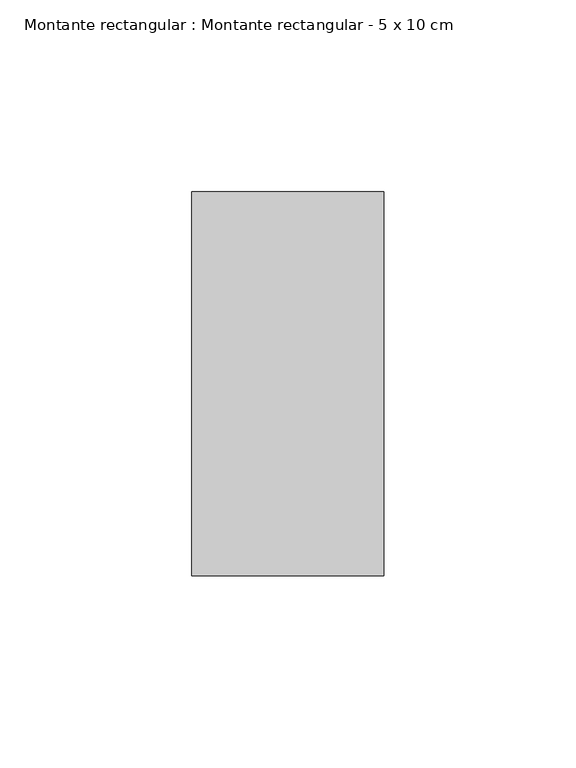
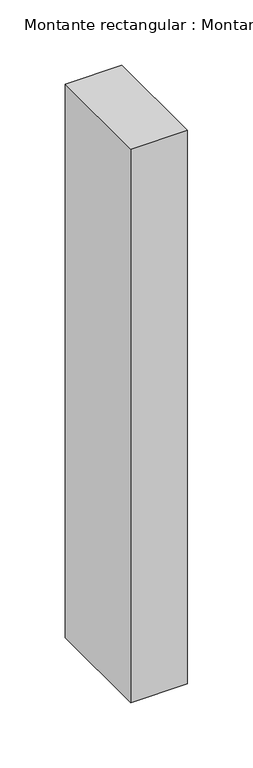
"""IFC4 building model written with IfcOpenShell, lengths in millimetres: member geometry, Montante rectangular : Montante rectangular - 5 x 10 cm."""

import ifcopenshell
import ifcopenshell.guid

model = None  # the IFC model being written
_history = None  # IfcOwnerHistory: only IFC2X3 demands one
_inside = {}  # id of a spatial element -> (the spatial element, [elements in it])
_under = {}  # id of a project, library or spatial element -> (it, [spatial elements below it])
_declared = {}  # id of a project -> (the project, [libraries it declares])
_typed = {}  # id of a type object -> (the type object, [elements of that type])
_made_of = {}  # id of a material, layer set ... -> (it, [elements and type objects made of it])


def new_model(schema):
    """Start an empty IFC model of exactly this schema.

    Asked for "IFC4X3", IfcOpenShell would pick the latest addendum, in which some entities
    have other attributes; the version numbers below select the first issue.
    IFC2X3 requires an IfcOwnerHistory on every rooted entity: one is made here for all.
    """
    global model, _history
    if schema == "IFC4X3":
        model = ifcopenshell.file(schema_version=(4, 3, 0, 0))
    else:
        model = ifcopenshell.file(schema=schema)
    _inside.clear()
    _under.clear()
    _declared.clear()
    _typed.clear()
    _made_of.clear()
    _history = None
    if model.schema == "IFC2X3":
        org = make("IfcOrganization", Name="unknown")
        user = make(
            "IfcPersonAndOrganization",
            ThePerson=make("IfcPerson", FamilyName="unknown"),
            TheOrganization=org,
        )
        app = make(
            "IfcApplication",
            ApplicationDeveloper=org,
            Version="unknown",
            ApplicationFullName="unknown",
            ApplicationIdentifier="unknown",
        )
        _history = make(
            "IfcOwnerHistory",
            OwningUser=user,
            OwningApplication=app,
            ChangeAction="ADDED",
            CreationDate=0,
        )
    return model


def make(cls, **values):
    """One entity of the class cls with the attributes given. An attribute that is None is left unset."""
    return model.create_entity(
        cls, **{name: value for name, value in values.items() if value is not None}
    )


def rooted(cls, **values):
    """An entity with a GlobalId (a new one), such as an element, a storey or a relation."""
    return make(cls, GlobalId=ifcopenshell.guid.new(), OwnerHistory=_history, **values)


def si_unit(unit_type, name, prefix=None):
    """IfcSIUnit, for example si_unit("LENGTHUNIT", "METRE", prefix="MILLI")."""
    return make("IfcSIUnit", UnitType=unit_type, Prefix=prefix, Name=name)


def assignment(units):
    """IfcUnitAssignment: the units of a project."""
    return None if units is None else make("IfcUnitAssignment", Units=units)


def point(xyz):
    """IfcCartesianPoint."""
    return None if xyz is None else make("IfcCartesianPoint", Coordinates=xyz)


def direction(xyz):
    """IfcDirection."""
    return None if xyz is None else make("IfcDirection", DirectionRatios=xyz)


def frame(location, z_axis=None, x_axis=None):
    """IfcAxis2Placement3D, a coordinate frame: its origin and axes. An axis left out is left unset."""
    return make(
        "IfcAxis2Placement3D",
        Location=point(location),
        Axis=direction(z_axis),
        RefDirection=direction(x_axis),
    )


def origin():
    """The frame at (0, 0, 0) with its axes left unset."""
    return frame((0.0, 0.0, 0.0))


def place(relative_to, where):
    """IfcLocalPlacement: puts the frame where relative to a parent placement (None: the world)."""
    return make(
        "IfcLocalPlacement", PlacementRelTo=relative_to, RelativePlacement=where
    )


def context(
    kind, dimensions, precision=None, world=None, true_north=None, identifier=None
):
    """IfcGeometricRepresentationContext, for example the 3D "Model" context."""
    return make(
        "IfcGeometricRepresentationContext",
        ContextIdentifier=identifier,
        ContextType=kind,
        CoordinateSpaceDimension=dimensions,
        Precision=precision,
        WorldCoordinateSystem=world,
        TrueNorth=true_north,
    )


def project(units=None, contexts=None):
    """IfcProject with its units and contexts."""
    return rooted(
        "IfcProject",
        Name="project",
        RepresentationContexts=contexts,
        UnitsInContext=assignment(units),
    )


def spatial(cls, under=None, at=None, **own):
    """A site, building, storey or space (cls), placed at a placement, below another one or the project."""
    s = rooted(cls, ObjectPlacement=at, **own)
    if under is not None:
        _under.setdefault(under.id(), (under, []))[1].append(s)
    return s


def polyline(points):
    """IfcPolyline through the points."""
    return make("IfcPolyline", Points=[point(p) for p in points])


def outline(outer, holes=None, kind="AREA"):
    """IfcArbitraryClosedProfileDef: a profile drawn as a closed curve; with holes, ...WithVoids."""
    if holes is None:
        return make("IfcArbitraryClosedProfileDef", ProfileType=kind, OuterCurve=outer)
    return make(
        "IfcArbitraryProfileDefWithVoids",
        ProfileType=kind,
        OuterCurve=outer,
        InnerCurves=holes,
    )


def extrude(swept, where, along, depth):
    """IfcExtrudedAreaSolid: the profile swept, set in the frame where, extruded along a direction by depth."""
    return make(
        "IfcExtrudedAreaSolid",
        SweptArea=swept,
        Position=where,
        ExtrudedDirection=direction(along),
        Depth=depth,
    )


def shape(context_of_items, identifier, shape_type, items):
    """IfcShapeRepresentation: the items that make up one representation, for example the "Body"."""
    return make(
        "IfcShapeRepresentation",
        ContextOfItems=context_of_items,
        RepresentationIdentifier=identifier,
        RepresentationType=shape_type,
        Items=items,
    )


def source(mapping_origin, context_of_items, identifier, shape_type, items):
    """IfcRepresentationMap: a shape defined once, which mapped items show again and again."""
    return make(
        "IfcRepresentationMap",
        MappingOrigin=mapping_origin,
        MappedRepresentation=shape(context_of_items, identifier, shape_type, items),
    )


def transform(
    local_origin,
    x_axis=None,
    y_axis=None,
    z_axis=None,
    scale=None,
    scale2=None,
    scale3=None,
    uniform=True,
):
    """IfcCartesianTransformationOperator3D, or its non-uniform kind. x_axis, y_axis, z_axis: its Axis1, 2, 3."""
    if uniform:
        return make(
            "IfcCartesianTransformationOperator3D",
            Axis1=direction(x_axis),
            Axis2=direction(y_axis),
            LocalOrigin=point(local_origin),
            Scale=scale,
            Axis3=direction(z_axis),
        )
    return make(
        "IfcCartesianTransformationOperator3DnonUniform",
        Axis1=direction(x_axis),
        Axis2=direction(y_axis),
        LocalOrigin=point(local_origin),
        Scale=scale,
        Axis3=direction(z_axis),
        Scale2=scale2,
        Scale3=scale3,
    )


def mapped(mapping_source, mapping_target):
    """IfcMappedItem: shows the shape of a source again, moved by a transform."""
    return make(
        "IfcMappedItem", MappingSource=mapping_source, MappingTarget=mapping_target
    )


def made_of(thing, what):
    """Note that an element or type object is made of a material, layer set ...; save() writes the relation."""
    if what is not None:
        _made_of.setdefault(what.id(), (what, []))[1].append(thing)
    return thing


def element(
    cls,
    number,
    at=None,
    inside=None,
    cuts=None,
    type_object=None,
    material=None,
    context=None,
    identifier="Body",
    shape_type=None,
    held_by="IfcProductDefinitionShape",
    body=None,
    shapes=None,
    **own,
):
    """One element of the class cls, such as IfcWall. Its Tag is "e" and its number.

    at: its placement. inside: the storey or other place that contains it. cuts: it is an
    opening in that element (IfcRelVoidsElement). A single representation is given by context,
    identifier, shape_type and body (its items); several are given by shapes. held_by: the class
    of the entity that holds the representations. save() writes the other relations.
    """
    e = rooted(cls, Tag="e%d" % number, ObjectPlacement=at, **own)
    if body is not None:
        shapes = [shape(context, identifier, shape_type, body)]
    if shapes is not None:
        e.Representation = make(held_by, Representations=shapes)
    if inside is not None:
        _inside.setdefault(inside.id(), (inside, []))[1].append(e)
    if cuts is not None:
        rooted(
            "IfcRelVoidsElement", RelatingBuildingElement=cuts, RelatedOpeningElement=e
        )
    if type_object is not None:
        _typed.setdefault(type_object.id(), (type_object, []))[1].append(e)
    return made_of(e, material)


def aggregate(whole, parts):
    """IfcRelAggregates: a whole, such as a stair, and the parts it consists of."""
    return rooted("IfcRelAggregates", RelatingObject=whole, RelatedObjects=parts)


def save(model, path):
    """Write the relations noted so far, then the file.

    IfcRelAggregates (storeys below a building ...), IfcRelContainedInSpatialStructure (elements
    in a storey), IfcRelDefinesByType, IfcRelAssociatesMaterial and IfcRelDeclares: one each for
    every whole, place, type object, material and project.
    """
    for whole, parts in _under.values():
        aggregate(whole, parts)
    for where, things in _inside.values():
        rooted(
            "IfcRelContainedInSpatialStructure",
            RelatedElements=things,
            RelatingStructure=where,
        )
    for kind, things in _typed.values():
        rooted("IfcRelDefinesByType", RelatedObjects=things, RelatingType=kind)
    for what, things in _made_of.values():
        rooted("IfcRelAssociatesMaterial", RelatedObjects=things, RelatingMaterial=what)
    for by, libraries in _declared.values():
        rooted("IfcRelDeclares", RelatingContext=by, RelatedDefinitions=libraries)
    model.write(path)


def montante_rectangular_montante_rectangular_5_x_10_cm_40a02f26(model_context):
    return source(origin(), model_context, "Body", "SweptSolid", [
        extrude(outline(polyline([(0.0, 50.0), (0.0, -50.0), (-50.0, -50.0), (-50.0, 50.0), (0.0, 50.0)])), frame((0.0, 0.0, -517.0), z_axis=(0.0, 0.0, 1.0), x_axis=(1.0, 0.0, 0.0)), (0.0, 0.0, 1.0), 517.0),
    ])


if __name__ == "__main__":
    model = new_model("IFC4")
    model_context = context("Model", 3, world=origin())
    ifc_project = project(units=[si_unit("LENGTHUNIT", "METRE", prefix="MILLI")], contexts=[model_context])
    site = spatial("IfcSite", under=ifc_project)
    building = spatial("IfcBuilding", under=site)
    placement = place(None, origin())
    montante_rectangular_montante_rectangular_5_x_10_cm_shape = montante_rectangular_montante_rectangular_5_x_10_cm_40a02f26(model_context)
    element("IfcMember", 1, ObjectType="Montante rectangular : Montante rectangular - 5 x 10 cm", at=placement, inside=building, context=model_context, shape_type="MappedRepresentation", body=[
        mapped(montante_rectangular_montante_rectangular_5_x_10_cm_shape, transform((0.0, 0.0, 0.0), x_axis=(1.0, 0.0, 0.0), y_axis=(0.0, 1.0, 0.0), z_axis=(0.0, 0.0, 1.0))),
    ])
    save(model, "model.ifc")
